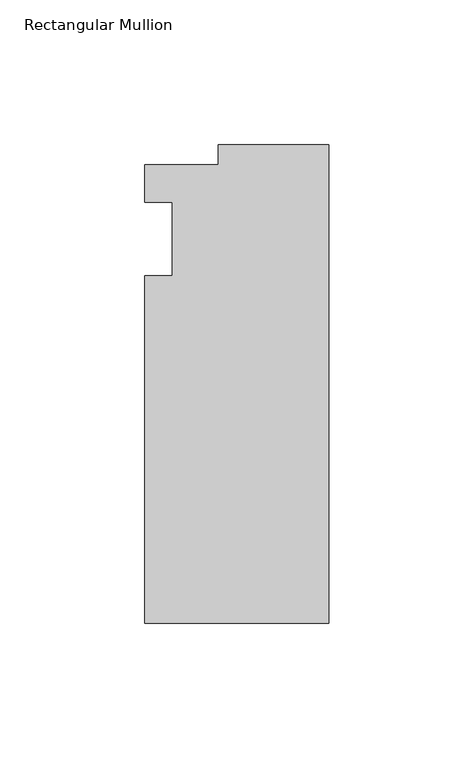
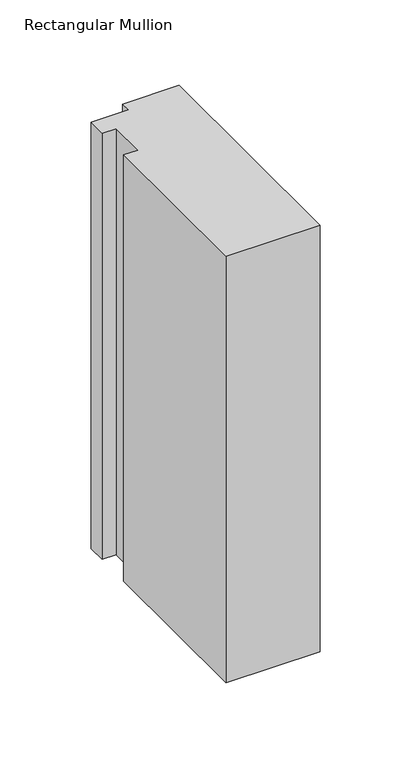
"""IFC4 building model written with IfcOpenShell, lengths in millimetres: member geometry, Rectangular Mullion."""

from ifc_helpers import new_model, si_unit, frame, origin, place, context, project, spatial, polyline, outline, extrude, source, transform, mapped, element, save


def rectangular_mullion_636d1fac(model_context):
    return source(origin(), model_context, "Body", "SweptSolid", [
        extrude(outline(polyline([(-38.1, 32.54375), (0.0, 32.54375), (0.0, -132.55625), (-63.5, -132.55625), (-63.5, -12.7), (-53.975, -12.7), (-53.975, 12.7), (-63.5, 12.7), (-63.5, 25.58415), (-38.1, 25.58415), (-38.1, 32.54375)])), frame((0.0, 0.0, -304.8), z_axis=(0.0, 0.0, 1.0), x_axis=(1.0, 0.0, 0.0)), (0.0, 0.0, 1.0), 304.8),
    ])


if __name__ == "__main__":
    model = new_model("IFC4")
    model_context = context("Model", 3, world=origin())
    ifc_project = project(units=[si_unit("LENGTHUNIT", "METRE", prefix="MILLI")], contexts=[model_context])
    site = spatial("IfcSite", under=ifc_project)
    building = spatial("IfcBuilding", under=site)
    placement = place(None, origin())
    rectangular_mullion_shape = rectangular_mullion_636d1fac(model_context)
    element("IfcMember", 1, ObjectType="Rectangular Mullion", at=placement, inside=building, context=model_context, shape_type="MappedRepresentation", body=[
        mapped(rectangular_mullion_shape, transform((0.0, 0.0, 0.0), x_axis=(1.0, 0.0, 0.0), y_axis=(0.0, 1.0, 0.0), z_axis=(0.0, 0.0, 1.0))),
    ])
    save(model, "model.ifc")
